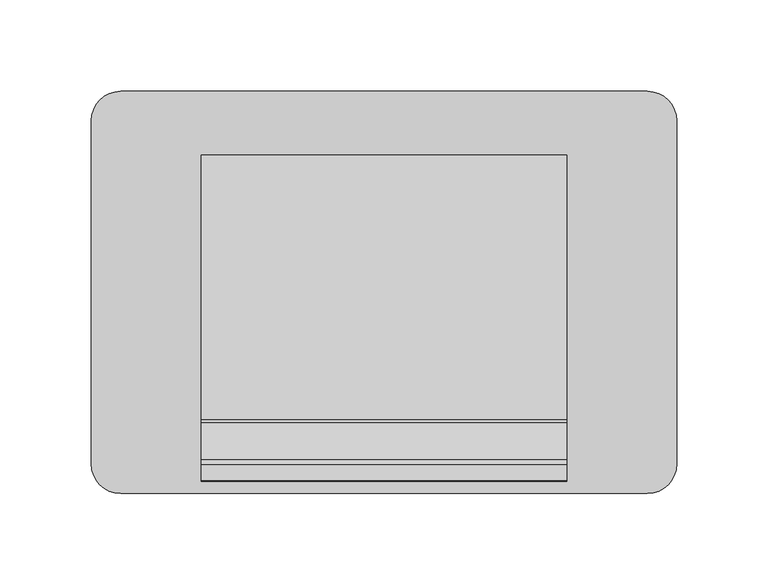
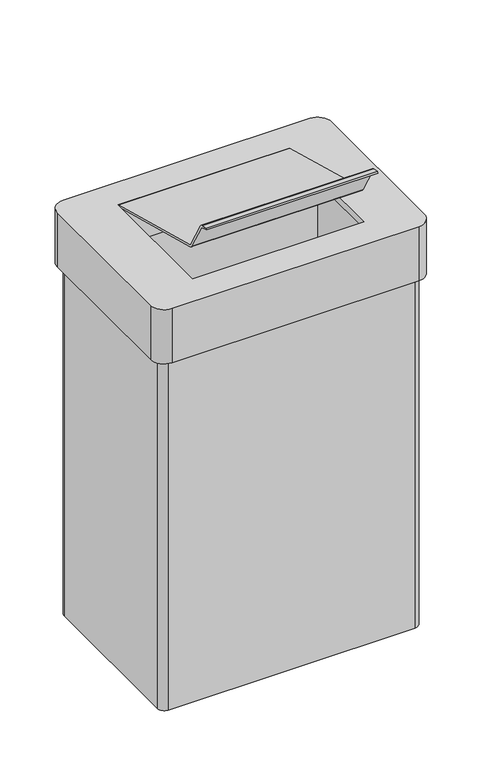
"""IFC4 building model written with IfcOpenShell, lengths in millimetres: furniture geometry."""

from ifc_helpers import new_model, si_unit, point, frame, frame_2d, origin, place, context, project, spatial, polyline, circle_curve, trimmed, segment, composite_curve, outline, extrude, source, transform, mapped, element, save
from ifc_brep_helpers import plane_surface, cylinder_surface, advanced_brep


def furniture_bcd69580(model_context):
    return source(origin(), model_context, "Body", "SolidModel", [
        advanced_brep(
        [(144.0, 110.0, 500.0), (-144.0, 110.0, 500.0), (-160.0, 94.0, 500.0), (-160.0, -94.0, 500.0), (-144.0, -110.0, 500.0), (144.0, -110.0, 500.0), (160.0, -94.0, 500.0), (160.0, 94.0, 500.0), (100.0, 75.0, 500.0), (100.0, -75.0, 500.0), (-100.0, -75.0, 500.0), (-100.0, 75.0, 500.0), (144.0, 110.0, 433.0), (160.0, 94.0, 433.0), (160.0, -94.0, 433.0), (144.0, -110.0, 433.0), (-144.0, -110.0, 433.0), (-160.0, -94.0, 433.0), (-160.0, 94.0, 433.0), (-144.0, 110.0, 433.0), (144.0, 94.0, 433.0), (-144.0, 94.0, 433.0), (-144.0, -94.0, 433.0), (144.0, -94.0, 433.0), (144.0, -94.0, 492.0), (144.0, 94.0, 492.0), (-144.0, -94.0, 492.0), (-144.0, 94.0, 492.0), (100.0, 75.0, 492.0), (-100.0, 75.0, 492.0), (-100.0, -75.0, 492.0), (100.0, -75.0, 492.0)],
        [
            (0, 1),
            (1, 2, circle_curve(frame((-144.0, 94.0, 500.0), z_axis=(0.0, 0.0, 1.0), x_axis=(1.0, 0.0, 0.0)), 16.0)),
            (2, 3),
            (3, 4, circle_curve(frame((-144.0, -94.0, 500.0), z_axis=(0.0, 0.0, 1.0), x_axis=(1.0, 0.0, 0.0)), 16.0)),
            (4, 5),
            (5, 6, circle_curve(frame((144.0, -94.0, 500.0), z_axis=(0.0, 0.0, 1.0), x_axis=(1.0, 0.0, 0.0)), 16.0)),
            (6, 7),
            (7, 0, circle_curve(frame((144.0, 94.0, 500.0), z_axis=(0.0, 0.0, 1.0), x_axis=(1.0, 0.0, 0.0)), 16.0)),
            (8, 9),
            (9, 10),
            (10, 11),
            (11, 8),
            (12, 13, circle_curve(frame((144.0, 94.0, 433.0), z_axis=(0.0, 0.0, -1.0), x_axis=(1.0, 0.0, 0.0)), 16.0)),
            (13, 14),
            (14, 15, circle_curve(frame((144.0, -94.0, 433.0), z_axis=(0.0, 0.0, -1.0), x_axis=(1.0, 0.0, 0.0)), 16.0)),
            (15, 16),
            (16, 17, circle_curve(frame((-144.0, -94.0, 433.0), z_axis=(0.0, 0.0, -1.0), x_axis=(1.0, 0.0, 0.0)), 16.0)),
            (17, 18),
            (18, 19, circle_curve(frame((-144.0, 94.0, 433.0), z_axis=(0.0, 0.0, -1.0), x_axis=(1.0, 0.0, 0.0)), 16.0)),
            (19, 12),
            (20, 21),
            (21, 22),
            (22, 23),
            (23, 20),
            (0, 12),
            (19, 1),
            (18, 2),
            (17, 3),
            (16, 4),
            (15, 5),
            (14, 6),
            (13, 7),
            (23, 24),
            (24, 25),
            (25, 20),
            (22, 26),
            (26, 24),
            (21, 27),
            (27, 26),
            (25, 27),
            (28, 29),
            (29, 30),
            (30, 31),
            (31, 28),
            (8, 28),
            (31, 9),
            (30, 10),
            (29, 11),
        ],
        [
            plane_surface(frame((144.0, 110.0, 500.0), z_axis=(0.0, 0.0, 1.0), x_axis=(-1.0, 0.0, 0.0))),
            plane_surface(frame((144.0, 110.0, 433.0), z_axis=(0.0, 0.0, -1.0), x_axis=(1.0, 0.0, 0.0))),
            plane_surface(frame((144.0, 110.0, 500.0), z_axis=(0.0, 1.0, 0.0), x_axis=(0.0, 0.0, -1.0))),
            cylinder_surface(frame((-144.0, 94.0, 433.0), z_axis=(0.0, 0.0, 1.0), x_axis=(1.0, 0.0, 0.0)), 16.0),
            plane_surface(frame((-160.0, 94.0, 500.0), z_axis=(-1.0, 0.0, 0.0), x_axis=(0.0, 0.0, -1.0))),
            cylinder_surface(frame((-144.0, -94.0, 433.0), z_axis=(0.0, 0.0, 1.0), x_axis=(1.0, 0.0, 0.0)), 16.0),
            plane_surface(frame((-144.0, -110.0, 500.0), z_axis=(0.0, -1.0, 0.0), x_axis=(0.0, 0.0, -1.0))),
            cylinder_surface(frame((144.0, -94.0, 433.0), z_axis=(0.0, 0.0, 1.0), x_axis=(1.0, 0.0, 0.0)), 16.0),
            plane_surface(frame((160.0, -94.0, 500.0), z_axis=(1.0, 0.0, 0.0), x_axis=(0.0, 0.0, -1.0))),
            cylinder_surface(frame((144.0, 94.0, 433.0), z_axis=(0.0, 0.0, 1.0), x_axis=(1.0, 0.0, 0.0)), 16.0),
            plane_surface(frame((144.0, 94.0, 500.0), z_axis=(-1.0, 0.0, 0.0), x_axis=(0.0, 0.0, -1.0))),
            plane_surface(frame((144.0, -94.0, 500.0), z_axis=(0.0, 1.0, 0.0), x_axis=(0.0, 0.0, -1.0))),
            plane_surface(frame((-144.0, -94.0, 500.0), z_axis=(1.0, 0.0, 0.0), x_axis=(0.0, 0.0, -1.0))),
            plane_surface(frame((-144.0, 94.0, 500.0), z_axis=(0.0, -1.0, 0.0), x_axis=(0.0, 0.0, -1.0))),
            plane_surface(frame((-144.0, 94.0, 492.0), z_axis=(0.0, 0.0, -1.0), x_axis=(1.0, 0.0, 0.0))),
            plane_surface(frame((100.0, 75.0, 500.0), z_axis=(-1.0, 0.0, 0.0), x_axis=(0.0, 0.0, -1.0))),
            plane_surface(frame((100.0, -75.0, 500.0), z_axis=(0.0, 1.0, 0.0), x_axis=(0.0, 0.0, -1.0))),
            plane_surface(frame((-100.0, -75.0, 500.0), z_axis=(1.0, 0.0, 0.0), x_axis=(0.0, 0.0, -1.0))),
            plane_surface(frame((-100.0, 75.0, 500.0), z_axis=(0.0, -1.0, 0.0), x_axis=(0.0, 0.0, -1.0))),
        ],
        [
            (0, [[1, 2, 3, 4, 5, 6, 7, 8], [9, 10, 11, 12]]),
            (1, [[13, 14, 15, 16, 17, 18, 19, 20], [21, 22, 23, 24]]),
            (2, [[-1, 25, -20, 26]]),
            (3, [[-2, -26, -19, 27]]),
            (4, [[-3, -27, -18, 28]]),
            (5, [[-4, -28, -17, 29]]),
            (6, [[-5, -29, -16, 30]]),
            (7, [[-6, -30, -15, 31]]),
            (8, [[-7, -31, -14, 32]]),
            (9, [[-8, -32, -13, -25]]),
            (10, [[-24, 33, 34, 35]]),
            (11, [[-23, 36, 37, -33]]),
            (12, [[-22, 38, 39, -36]]),
            (13, [[-21, -35, 40, -38]]),
            (14, [[-34, -37, -39, -40], [41, 42, 43, 44]]),
            (15, [[-9, 45, -44, 46]]),
            (16, [[-10, -46, -43, 47]]),
            (17, [[-11, -47, -42, 48]]),
            (18, [[-12, -48, -41, -45]]),
        ],
    ),
        advanced_brep(
        [(144.0, -94.0, 8.0), (144.0, 94.0, 8.0), (-144.0, 94.0, 8.0), (-144.0, -94.0, 8.0), (144.0, 102.0, 0.0), (152.0, 94.0, 0.0), (152.0, -94.0, 0.0), (144.0, -102.0, 0.0), (-144.0, -102.0, 0.0), (-152.0, -94.0, 0.0), (-152.0, 94.0, 0.0), (-144.0, 102.0, 0.0), (144.0, 102.0, 433.0), (-144.0, 102.0, 433.0), (-152.0, 94.0, 433.0), (-152.0, -94.0, 433.0), (-144.0, -102.0, 433.0), (144.0, -102.0, 433.0), (152.0, -94.0, 433.0), (152.0, 94.0, 433.0), (144.0, 94.0, 433.0), (144.0, -94.0, 433.0), (-144.0, -94.0, 433.0), (-144.0, 94.0, 433.0)],
        [
            (0, 1),
            (1, 2),
            (2, 3),
            (3, 0),
            (4, 5, circle_curve(frame((144.0, 94.0, 0.0), z_axis=(0.0, 0.0, -1.0), x_axis=(1.0, 0.0, 0.0)), 8.0)),
            (5, 6),
            (6, 7, circle_curve(frame((144.0, -94.0, 0.0), z_axis=(0.0, 0.0, -1.0), x_axis=(1.0, 0.0, 0.0)), 8.0)),
            (7, 8),
            (8, 9, circle_curve(frame((-144.0, -94.0, 0.0), z_axis=(0.0, 0.0, -1.0), x_axis=(1.0, 0.0, 0.0)), 8.0)),
            (9, 10),
            (10, 11, circle_curve(frame((-144.0, 94.0, 0.0), z_axis=(0.0, 0.0, -1.0), x_axis=(1.0, 0.0, 0.0)), 8.0)),
            (11, 4),
            (12, 13),
            (13, 14, circle_curve(frame((-144.0, 94.0, 433.0), z_axis=(0.0, 0.0, 1.0), x_axis=(1.0, 0.0, 0.0)), 8.0)),
            (14, 15),
            (15, 16, circle_curve(frame((-144.0, -94.0, 433.0), z_axis=(0.0, 0.0, 1.0), x_axis=(1.0, 0.0, 0.0)), 8.0)),
            (16, 17),
            (17, 18, circle_curve(frame((144.0, -94.0, 433.0), z_axis=(0.0, 0.0, 1.0), x_axis=(1.0, 0.0, 0.0)), 8.0)),
            (18, 19),
            (19, 12, circle_curve(frame((144.0, 94.0, 433.0), z_axis=(0.0, 0.0, 1.0), x_axis=(1.0, 0.0, 0.0)), 8.0)),
            (20, 21),
            (21, 22),
            (22, 23),
            (23, 20),
            (20, 1),
            (0, 21),
            (3, 22),
            (2, 23),
            (12, 4),
            (11, 13),
            (10, 14),
            (9, 15),
            (8, 16),
            (7, 17),
            (6, 18),
            (5, 19),
        ],
        [
            plane_surface(frame((-144.0, 94.0, 8.0), z_axis=(0.0, 0.0, 1.0), x_axis=(-1.0, 0.0, 0.0))),
            plane_surface(frame((-144.0, 94.0, 0.0), z_axis=(0.0, 0.0, -1.0), x_axis=(1.0, 0.0, 0.0))),
            plane_surface(frame((144.0, 94.0, 433.0), z_axis=(0.0, 0.0, 1.0), x_axis=(0.0, -1.0, 0.0))),
            plane_surface(frame((144.0, 94.0, 433.0), z_axis=(-1.0, 0.0, 0.0), x_axis=(0.0, 0.0, -1.0))),
            plane_surface(frame((144.0, -94.0, 433.0), z_axis=(0.0, 1.0, 0.0), x_axis=(0.0, 0.0, -1.0))),
            plane_surface(frame((-144.0, -94.0, 433.0), z_axis=(1.0, 0.0, 0.0), x_axis=(0.0, 0.0, -1.0))),
            plane_surface(frame((-144.0, 94.0, 433.0), z_axis=(0.0, -1.0, 0.0), x_axis=(0.0, 0.0, -1.0))),
            plane_surface(frame((144.0, 102.0, 433.0), z_axis=(0.0, 1.0, 0.0), x_axis=(0.0, 0.0, -1.0))),
            cylinder_surface(frame((-144.0, 94.0, 0.0), z_axis=(0.0, 0.0, 1.0), x_axis=(1.0, 0.0, 0.0)), 8.0),
            plane_surface(frame((-152.0, 94.0, 433.0), z_axis=(-1.0, 0.0, 0.0), x_axis=(0.0, 0.0, -1.0))),
            cylinder_surface(frame((-144.0, -94.0, 0.0), z_axis=(0.0, 0.0, 1.0), x_axis=(1.0, 0.0, 0.0)), 8.0),
            plane_surface(frame((-144.0, -102.0, 433.0), z_axis=(0.0, -1.0, 0.0), x_axis=(0.0, 0.0, -1.0))),
            cylinder_surface(frame((144.0, -94.0, 0.0), z_axis=(0.0, 0.0, 1.0), x_axis=(1.0, 0.0, 0.0)), 8.0),
            plane_surface(frame((152.0, -94.0, 433.0), z_axis=(1.0, 0.0, 0.0), x_axis=(0.0, 0.0, -1.0))),
            cylinder_surface(frame((144.0, 94.0, 0.0), z_axis=(0.0, 0.0, 1.0), x_axis=(1.0, 0.0, 0.0)), 8.0),
        ],
        [
            (0, [[1, 2, 3, 4]]),
            (1, [[5, 6, 7, 8, 9, 10, 11, 12]]),
            (2, [[13, 14, 15, 16, 17, 18, 19, 20], [21, 22, 23, 24]]),
            (3, [[-21, 25, -1, 26]]),
            (4, [[-22, -26, -4, 27]]),
            (5, [[-23, -27, -3, 28]]),
            (6, [[-24, -28, -2, -25]]),
            (7, [[-13, 29, -12, 30]]),
            (8, [[-14, -30, -11, 31]]),
            (9, [[-15, -31, -10, 32]]),
            (10, [[-16, -32, -9, 33]]),
            (11, [[-17, -33, -8, 34]]),
            (12, [[-18, -34, -7, 35]]),
            (13, [[-19, -35, -6, 36]]),
            (14, [[-20, -36, -5, -29]]),
        ],
    ),
        extrude(outline(composite_curve([segment(polyline([(-69.8932292, 538.8240238), (75.0, 500.0), (74.4410999, 497.9141564), (-70.447774, 536.7370132)]), True, "CONTINUOUS"), segment(trimmed(circle_curve(frame_2d((-69.3271571, 540.9192126)), 4.3297315), [point((-70.447774, 536.7370132))], [point((-73.0745578, 538.7504429))], False, "CARTESIAN"), True, "CONTINUOUS"), segment(polyline([(-73.0745578, 538.7504429), (-93.3981137, 573.9518742)]), True, "CONTINUOUS"), segment(trimmed(circle_curve(frame_2d((-95.2682278, 572.8721633)), 2.1594218), [point((-93.3981137, 573.9518742))], [point((-94.5473475, 574.907706))], True, "CARTESIAN"), True, "CONTINUOUS"), segment(polyline([(-94.5473475, 574.907706), (-103.3712563, 577.2758396), (-102.8115764, 579.3645934), (-94.1504288, 577.0438459)]), True, "CONTINUOUS"), segment(trimmed(circle_curve(frame_2d((-95.2682278, 572.8721633)), 4.3188436), [point((-94.1504288, 577.0438459))], [point((-91.5279995, 575.0315851))], False, "CARTESIAN"), True, "CONTINUOUS"), segment(polyline([(-91.5279995, 575.0315851), (-71.2044439, 539.8301541)]), True, "CONTINUOUS"), segment(trimmed(circle_curve(frame_2d((-69.3343297, 540.909865)), 2.1594218), [point((-71.2044439, 539.8301541))], [point((-69.8932292, 538.8240238))], True, "CARTESIAN"), True, "CONTINUOUS")], self_intersect=False)), frame((-100.0, 0.0, 0.0), z_axis=(1.0, 0.0, 0.0), x_axis=(0.0, 1.0, 0.0)), (0.0, 0.0, 1.0), 200.0),
    ])


if __name__ == "__main__":
    model = new_model("IFC4")
    model_context = context("Model", 3, world=origin())
    ifc_project = project(units=[si_unit("LENGTHUNIT", "METRE", prefix="MILLI")], contexts=[model_context])
    site = spatial("IfcSite", under=ifc_project)
    building = spatial("IfcBuilding", under=site)
    placement = place(None, origin())
    furniture_shape = furniture_bcd69580(model_context)
    element("IfcFurniture", 1, at=placement, inside=building, context=model_context, shape_type="MappedRepresentation", body=[
        mapped(furniture_shape, transform((0.0, 0.0, 0.0), x_axis=(1.0, 0.0, 0.0), y_axis=(0.0, 1.0, 0.0), z_axis=(0.0, 0.0, 1.0))),
    ])
    save(model, "model.ifc")
